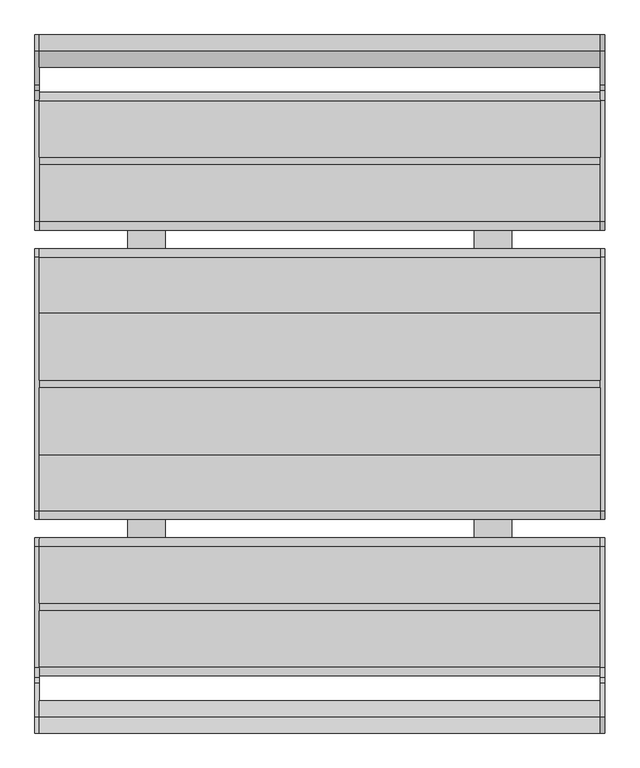
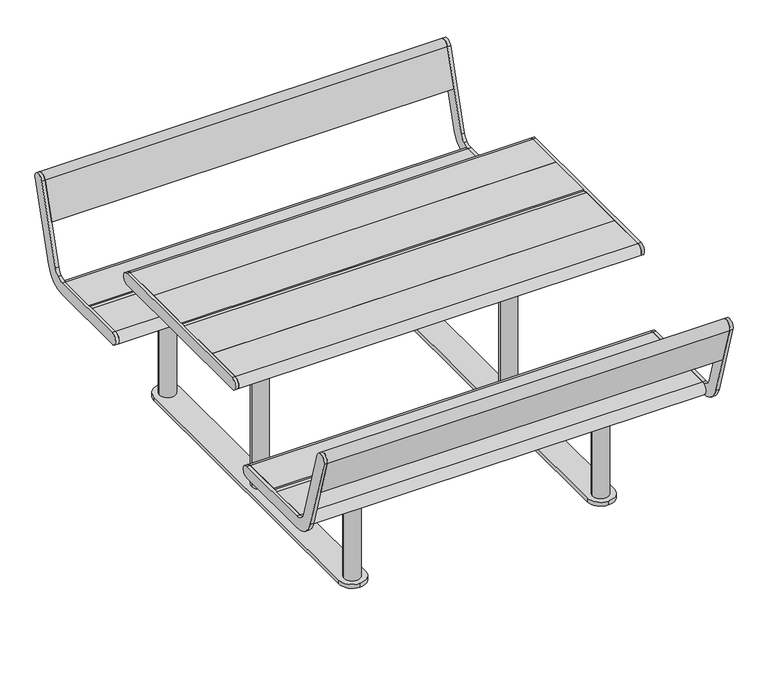
"""IFC4 building model written with IfcOpenShell, lengths in millimetres: furniture geometry."""

from ifc_helpers import new_model, si_unit, point, frame, frame_2d, origin, origin_with_axes, place, context, project, spatial, polyline, circle_curve, trimmed, segment, composite_curve, outline, extrude, source, transform, mapped, element, save


def furniture_d90f0675(model_context):
    return source(origin(), model_context, "Body", "SweptSolid", [
        extrude(outline(composite_curve([segment(polyline([(602.0, 449.7), (752.4998424, 449.7)]), True, "CONTINUOUS"), segment(trimmed(circle_curve(frame_2d((752.4998424, 427.2)), 22.5), [point((752.4998424, 449.7))], [point((752.4998424, 404.7))], False, "CARTESIAN"), True, "CONTINUOUS"), segment(polyline([(752.4998424, 404.7), (602.0, 404.7), (602.0, 449.7)]), True, "CONTINUOUS")], self_intersect=False)), frame((-745.0, 0.0, 0.0), z_axis=(1.0, 0.0, 0.0), x_axis=(0.0, 1.0, 0.0)), (0.0, 0.0, 1.0), 1490.0),
        extrude(outline(composite_curve([segment(polyline([(795.4837914, 481.5432734), (883.593709, 769.7378243)]), True, "CONTINUOUS"), segment(trimmed(circle_curve(frame_2d((905.1105656, 763.159461)), 22.4999996), [point((883.593709, 769.7378243))], [point((926.6274222, 756.5810977))], False, "CARTESIAN"), True, "CONTINUOUS"), segment(polyline([(926.6274222, 756.5810977), (838.5175055, 468.3865468)]), True, "CONTINUOUS"), segment(trimmed(circle_curve(frame_2d((752.4500772, 494.7000004)), 90.0000004), [point((838.5175055, 468.3865468))], [point((805.5692669, 422.0477344))], False, "CARTESIAN"), True, "CONTINUOUS"), segment(trimmed(circle_curve(frame_2d((752.4500772, 494.7000004)), 90.0000004), [point((805.5692669, 422.0477344))], [point((752.4500772, 404.7))], False, "CARTESIAN"), True, "CONTINUOUS"), segment(polyline([(752.4500772, 404.7), (431.5000002, 404.7)]), True, "CONTINUOUS"), segment(trimmed(circle_curve(frame_2d((431.5000002, 427.2000002)), 22.5000002), [point((431.5000002, 404.7))], [point((431.5037545, 449.7000001))], False, "CARTESIAN"), True, "CONTINUOUS"), segment(polyline([(431.5037545, 449.7000001), (752.4500772, 449.7000001)]), True, "CONTINUOUS"), segment(trimmed(circle_curve(frame_2d((752.4500772, 494.7000004)), 45.0000003), [point((752.4500772, 449.7000001))], [point((779.0096721, 458.3738673))], True, "CARTESIAN"), True, "CONTINUOUS"), segment(trimmed(circle_curve(frame_2d((752.4500772, 494.7000004)), 45.0000003), [point((779.0096721, 458.3738673))], [point((795.4837914, 481.5432734))], True, "CARTESIAN"), True, "CONTINUOUS")], self_intersect=False)), frame((745.0, 0.0, 0.0), z_axis=(1.0, 0.0, 0.0), x_axis=(0.0, 1.0, 0.0)), (0.0, 0.0, 1.0), 12.0),
        extrude(outline(composite_curve([segment(polyline([(884.0857959, 617.4337085), (841.052082, 630.5904353), (883.5974263, 769.7499847)]), True, "CONTINUOUS"), segment(trimmed(circle_curve(frame_2d((905.1142833, 763.1716212)), 22.5), [point((883.5974263, 769.7499847))], [point((926.6311403, 756.5932578))], False, "CARTESIAN"), True, "CONTINUOUS"), segment(polyline([(926.6311403, 756.5932578), (884.0857959, 617.4337085)]), True, "CONTINUOUS")], self_intersect=False)), frame((-745.0, 0.0, 0.0), z_axis=(1.0, 0.0, 0.0), x_axis=(0.0, 1.0, 0.0)), (0.0, 0.0, 1.0), 1490.0),
        extrude(outline(composite_curve([segment(polyline([(795.4837914, 481.5432734), (883.593709, 769.7378243)]), True, "CONTINUOUS"), segment(trimmed(circle_curve(frame_2d((905.1105656, 763.159461)), 22.4999996), [point((883.593709, 769.7378243))], [point((926.6274222, 756.5810977))], False, "CARTESIAN"), True, "CONTINUOUS"), segment(polyline([(926.6274222, 756.5810977), (838.5175055, 468.3865468)]), True, "CONTINUOUS"), segment(trimmed(circle_curve(frame_2d((752.4500772, 494.7000004)), 90.0000004), [point((838.5175055, 468.3865468))], [point((805.5692669, 422.0477344))], False, "CARTESIAN"), True, "CONTINUOUS"), segment(trimmed(circle_curve(frame_2d((752.4500772, 494.7000004)), 90.0000004), [point((805.5692669, 422.0477344))], [point((752.4500772, 404.7))], False, "CARTESIAN"), True, "CONTINUOUS"), segment(polyline([(752.4500772, 404.7), (431.5000002, 404.7)]), True, "CONTINUOUS"), segment(trimmed(circle_curve(frame_2d((431.5000002, 427.2000002)), 22.5000002), [point((431.5000002, 404.7))], [point((431.5037545, 449.7000001))], False, "CARTESIAN"), True, "CONTINUOUS"), segment(polyline([(431.5037545, 449.7000001), (752.4500772, 449.7000001)]), True, "CONTINUOUS"), segment(trimmed(circle_curve(frame_2d((752.4500772, 494.7000004)), 45.0000003), [point((752.4500772, 449.7000001))], [point((779.0096721, 458.3738673))], True, "CARTESIAN"), True, "CONTINUOUS"), segment(trimmed(circle_curve(frame_2d((752.4500772, 494.7000004)), 45.0000003), [point((779.0096721, 458.3738673))], [point((795.4837914, 481.5432734))], True, "CARTESIAN"), True, "CONTINUOUS")], self_intersect=False)), frame((-757.0, 0.0, 0.0), z_axis=(1.0, 0.0, 0.0), x_axis=(0.0, 1.0, 0.0)), (0.0, 0.0, 1.0), 12.0),
        extrude(outline(composite_curve([segment(trimmed(circle_curve(frame_2d((-752.4500772, 494.7000004)), 45.0000003), [point((-795.4837914, 481.5432734))], [point((-779.0096721, 458.3738673))], True, "CARTESIAN"), True, "CONTINUOUS"), segment(trimmed(circle_curve(frame_2d((-752.4500772, 494.7000004)), 45.0000003), [point((-779.0096721, 458.3738673))], [point((-752.4500772, 449.7000001))], True, "CARTESIAN"), True, "CONTINUOUS"), segment(polyline([(-752.4500772, 449.7000001), (-431.5037545, 449.7000001)]), True, "CONTINUOUS"), segment(trimmed(circle_curve(frame_2d((-431.5000002, 427.2000002)), 22.5000002), [point((-431.5037545, 449.7000001))], [point((-431.5000002, 404.7))], False, "CARTESIAN"), True, "CONTINUOUS"), segment(polyline([(-431.5000002, 404.7), (-752.4500772, 404.7)]), True, "CONTINUOUS"), segment(trimmed(circle_curve(frame_2d((-752.4500772, 494.7000004)), 90.0000004), [point((-752.4500772, 404.7))], [point((-805.5692669, 422.0477344))], False, "CARTESIAN"), True, "CONTINUOUS"), segment(trimmed(circle_curve(frame_2d((-752.4500772, 494.7000004)), 90.0000004), [point((-805.5692669, 422.0477344))], [point((-838.5175055, 468.3865468))], False, "CARTESIAN"), True, "CONTINUOUS"), segment(polyline([(-838.5175055, 468.3865468), (-926.6274222, 756.5810977)]), True, "CONTINUOUS"), segment(trimmed(circle_curve(frame_2d((-905.1105656, 763.159461)), 22.4999996), [point((-926.6274222, 756.5810977))], [point((-883.593709, 769.7378243))], False, "CARTESIAN"), True, "CONTINUOUS"), segment(polyline([(-883.593709, 769.7378243), (-795.4837914, 481.5432734)]), True, "CONTINUOUS")], self_intersect=False)), frame((745.0, 0.0, 0.0), z_axis=(1.0, 0.0, 0.0), x_axis=(0.0, 1.0, 0.0)), (0.0, 0.0, 1.0), 12.0),
        extrude(outline(composite_curve([segment(polyline([(-884.0857959, 617.4337085), (-926.6311403, 756.5932578)]), True, "CONTINUOUS"), segment(trimmed(circle_curve(frame_2d((-905.1142833, 763.1716212)), 22.5), [point((-926.6311403, 756.5932578))], [point((-883.5974263, 769.7499847))], False, "CARTESIAN"), True, "CONTINUOUS"), segment(polyline([(-883.5974263, 769.7499847), (-841.052082, 630.5904353), (-884.0857959, 617.4337085)]), True, "CONTINUOUS")], self_intersect=False)), frame((-745.0, 0.0, 0.0), z_axis=(1.0, 0.0, 0.0), x_axis=(0.0, 1.0, 0.0)), (0.0, 0.0, 1.0), 1490.0),
        extrude(outline(composite_curve([segment(polyline([(-582.0, 449.7), (-431.5001576, 449.7)]), True, "CONTINUOUS"), segment(trimmed(circle_curve(frame_2d((-431.5001576, 427.2)), 22.5), [point((-431.5001576, 449.7))], [point((-431.5001576, 404.7))], False, "CARTESIAN"), True, "CONTINUOUS"), segment(polyline([(-431.5001576, 404.7), (-582.0, 404.7), (-582.0, 449.7)]), True, "CONTINUOUS")], self_intersect=False)), frame((-745.0, 0.0, 0.0), z_axis=(1.0, 0.0, 0.0), x_axis=(0.0, 1.0, 0.0)), (0.0, 0.0, 1.0), 1490.0),
        extrude(outline(composite_curve([segment(polyline([(-602.0, 449.7), (-602.0, 404.7), (-752.4998424, 404.7)]), True, "CONTINUOUS"), segment(trimmed(circle_curve(frame_2d((-752.4998424, 427.2)), 22.5), [point((-752.4998424, 404.7))], [point((-752.4998424, 449.7))], False, "CARTESIAN"), True, "CONTINUOUS"), segment(polyline([(-752.4998424, 449.7), (-602.0, 449.7)]), True, "CONTINUOUS")], self_intersect=False)), frame((-745.0, 0.0, 0.0), z_axis=(1.0, 0.0, 0.0), x_axis=(0.0, 1.0, 0.0)), (0.0, 0.0, 1.0), 1490.0),
        extrude(outline(polyline([(745.0, -582.0), (745.0, -602.0), (-745.0, -602.0), (-745.0, -582.0), (745.0, -582.0)])), frame((0.0, 0.0, 404.7), z_axis=(0.0, 0.0, 1.0), x_axis=(1.0, 0.0, 0.0)), (0.0, 0.0, 1.0), 40.0),
        extrude(outline(composite_curve([segment(trimmed(circle_curve(frame_2d((-752.4500772, 494.7000004)), 45.0000003), [point((-795.4837914, 481.5432734))], [point((-779.0096721, 458.3738673))], True, "CARTESIAN"), True, "CONTINUOUS"), segment(trimmed(circle_curve(frame_2d((-752.4500772, 494.7000004)), 45.0000003), [point((-779.0096721, 458.3738673))], [point((-752.4500772, 449.7000001))], True, "CARTESIAN"), True, "CONTINUOUS"), segment(polyline([(-752.4500772, 449.7000001), (-431.5037545, 449.7000001)]), True, "CONTINUOUS"), segment(trimmed(circle_curve(frame_2d((-431.5000002, 427.2000002)), 22.5000002), [point((-431.5037545, 449.7000001))], [point((-431.5000002, 404.7))], False, "CARTESIAN"), True, "CONTINUOUS"), segment(polyline([(-431.5000002, 404.7), (-752.4500772, 404.7)]), True, "CONTINUOUS"), segment(trimmed(circle_curve(frame_2d((-752.4500772, 494.7000004)), 90.0000004), [point((-752.4500772, 404.7))], [point((-805.5692669, 422.0477344))], False, "CARTESIAN"), True, "CONTINUOUS"), segment(trimmed(circle_curve(frame_2d((-752.4500772, 494.7000004)), 90.0000004), [point((-805.5692669, 422.0477344))], [point((-838.5175055, 468.3865468))], False, "CARTESIAN"), True, "CONTINUOUS"), segment(polyline([(-838.5175055, 468.3865468), (-926.6274222, 756.5810977)]), True, "CONTINUOUS"), segment(trimmed(circle_curve(frame_2d((-905.1105656, 763.159461)), 22.4999996), [point((-926.6274222, 756.5810977))], [point((-883.593709, 769.7378243))], False, "CARTESIAN"), True, "CONTINUOUS"), segment(polyline([(-883.593709, 769.7378243), (-795.4837914, 481.5432734)]), True, "CONTINUOUS")], self_intersect=False)), frame((-757.0, 0.0, 0.0), z_axis=(1.0, 0.0, 0.0), x_axis=(0.0, 1.0, 0.0)), (0.0, 0.0, 1.0), 12.0),
        extrude(outline(composite_curve([segment(polyline([(582.0, 449.7), (582.0, 404.7), (431.5001576, 404.7)]), True, "CONTINUOUS"), segment(trimmed(circle_curve(frame_2d((431.5001576, 427.2)), 22.5), [point((431.5001576, 404.7))], [point((431.5001576, 449.7))], False, "CARTESIAN"), True, "CONTINUOUS"), segment(polyline([(431.5001576, 449.7), (582.0, 449.7)]), True, "CONTINUOUS")], self_intersect=False)), frame((-745.0, 0.0, 0.0), z_axis=(1.0, 0.0, 0.0), x_axis=(0.0, 1.0, 0.0)), (0.0, 0.0, 1.0), 1490.0),
        extrude(outline(polyline([(745.0, 602.0), (745.0, 582.0), (-745.0, 582.0), (-745.0, 602.0), (745.0, 602.0)])), frame((0.0, 0.0, 404.7), z_axis=(0.0, 0.0, 1.0), x_axis=(1.0, 0.0, 0.0)), (0.0, 0.0, 1.0), 40.0),
        extrude(outline(polyline([(745.0, -10.0), (745.0, -187.75), (-745.0, -187.75), (-745.0, -10.0), (745.0, -10.0)])), frame((0.0, 0.0, 694.7), z_axis=(0.0, 0.0, 1.0), x_axis=(1.0, 0.0, 0.0)), (0.0, 0.0, 1.0), 45.0),
        extrude(outline(polyline([(745.0, 187.75), (745.0, 10.0), (-745.0, 10.0), (-745.0, 187.75), (745.0, 187.75)])), frame((0.0, 0.0, 694.7), z_axis=(0.0, 0.0, 1.0), x_axis=(1.0, 0.0, 0.0)), (0.0, 0.0, 1.0), 45.0),
        extrude(outline(composite_curve([segment(polyline([(187.75, 739.7), (336.4998635, 739.7)]), True, "CONTINUOUS"), segment(trimmed(circle_curve(frame_2d((336.4998635, 717.2)), 22.5), [point((336.4998635, 739.7))], [point((336.4998635, 694.7))], False, "CARTESIAN"), True, "CONTINUOUS"), segment(polyline([(336.4998635, 694.7), (187.75, 694.7), (187.75, 739.7)]), True, "CONTINUOUS")], self_intersect=False)), frame((-745.0, 0.0, 0.0), z_axis=(1.0, 0.0, 0.0), x_axis=(0.0, 1.0, 0.0)), (0.0, 0.0, 1.0), 1490.0),
        extrude(outline(composite_curve([segment(polyline([(-187.75, 739.7), (-187.75, 694.7), (-336.4998635, 694.7)]), True, "CONTINUOUS"), segment(trimmed(circle_curve(frame_2d((-336.4998635, 717.2)), 22.5), [point((-336.4998635, 694.7))], [point((-336.4998635, 739.7))], False, "CARTESIAN"), True, "CONTINUOUS"), segment(polyline([(-336.4998635, 739.7), (-187.75, 739.7)]), True, "CONTINUOUS")], self_intersect=False)), frame((-745.0, 0.0, 0.0), z_axis=(1.0, 0.0, 0.0), x_axis=(0.0, 1.0, 0.0)), (0.0, 0.0, 1.0), 1490.0),
        extrude(outline(polyline([(745.0, 10.0), (745.0, -10.0), (-745.0, -10.0), (-745.0, 10.0), (745.0, 10.0)])), frame((0.0, 0.0, 694.7), z_axis=(0.0, 0.0, 1.0), x_axis=(1.0, 0.0, 0.0)), (0.0, 0.0, 1.0), 40.0),
        extrude(outline(composite_curve([segment(trimmed(circle_curve(frame_2d((336.5, 717.2)), 22.5), [point((336.5, 739.7))], [point((336.5, 694.7))], False, "CARTESIAN"), True, "CONTINUOUS"), segment(polyline([(336.5, 694.7), (-336.5, 694.7)]), True, "CONTINUOUS"), segment(trimmed(circle_curve(frame_2d((-336.5, 717.2)), 22.5), [point((-336.5, 694.7))], [point((-336.5, 739.7))], False, "CARTESIAN"), True, "CONTINUOUS"), segment(polyline([(-336.5, 739.7), (336.5, 739.7)]), True, "CONTINUOUS")], self_intersect=False)), frame((745.0, 0.0, 0.0), z_axis=(1.0, 0.0, 0.0), x_axis=(0.0, 1.0, 0.0)), (0.0, 0.0, 1.0), 12.0),
        extrude(outline(composite_curve([segment(trimmed(circle_curve(frame_2d((336.5, 717.2)), 22.5), [point((336.5, 739.7))], [point((336.5, 694.7))], False, "CARTESIAN"), True, "CONTINUOUS"), segment(polyline([(336.5, 694.7), (-336.5, 694.7)]), True, "CONTINUOUS"), segment(trimmed(circle_curve(frame_2d((-336.5, 717.2)), 22.5), [point((-336.5, 694.7))], [point((-336.5, 739.7))], False, "CARTESIAN"), True, "CONTINUOUS"), segment(polyline([(-336.5, 739.7), (336.5, 739.7)]), True, "CONTINUOUS")], self_intersect=False)), frame((-757.0, 0.0, 0.0), z_axis=(1.0, 0.0, 0.0), x_axis=(0.0, 1.0, 0.0)), (0.0, 0.0, 1.0), 12.0),
        extrude(outline(composite_curve([segment(trimmed(circle_curve(frame_2d((505.0, 120.0)), 5.0), [point((505.0, 125.0))], [point((510.0, 120.0))], False, "CARTESIAN"), True, "CONTINUOUS"), segment(polyline([(510.0, 120.0), (510.0, -120.0)]), True, "CONTINUOUS"), segment(trimmed(circle_curve(frame_2d((505.0, -120.0)), 5.0), [point((510.0, -120.0))], [point((505.0, -125.0))], False, "CARTESIAN"), True, "CONTINUOUS"), segment(polyline([(505.0, -125.0), (415.0, -125.0)]), True, "CONTINUOUS"), segment(trimmed(circle_curve(frame_2d((415.0, -120.0)), 5.0), [point((415.0, -125.0))], [point((410.0, -120.0))], False, "CARTESIAN"), True, "CONTINUOUS"), segment(polyline([(410.0, -120.0), (410.0, 120.0)]), True, "CONTINUOUS"), segment(trimmed(circle_curve(frame_2d((415.0, 120.0)), 5.0), [point((410.0, 120.0))], [point((415.0, 125.0))], False, "CARTESIAN"), True, "CONTINUOUS"), segment(polyline([(415.0, 125.0), (505.0, 125.0)]), True, "CONTINUOUS")], self_intersect=False)), frame((0.0, 0.0, 679.0), z_axis=(0.0, 0.0, 1.0), x_axis=(1.0, 0.0, 0.0)), (0.0, 0.0, 1.0), 7.85),
        extrude(outline(composite_curve([segment(trimmed(circle_curve(frame_2d((505.0, 295.0)), 5.0), [point((505.0, 300.0))], [point((510.0, 295.0))], False, "CARTESIAN"), True, "CONTINUOUS"), segment(polyline([(510.0, 295.0), (510.0, -295.0)]), True, "CONTINUOUS"), segment(trimmed(circle_curve(frame_2d((505.0, -295.0)), 5.0), [point((510.0, -295.0))], [point((505.0, -300.0))], False, "CARTESIAN"), True, "CONTINUOUS"), segment(polyline([(505.0, -300.0), (415.0, -300.0)]), True, "CONTINUOUS"), segment(trimmed(circle_curve(frame_2d((415.0, -295.0)), 5.0), [point((415.0, -300.0))], [point((410.0, -295.0))], False, "CARTESIAN"), True, "CONTINUOUS"), segment(polyline([(410.0, -295.0), (410.0, 295.0)]), True, "CONTINUOUS"), segment(trimmed(circle_curve(frame_2d((415.0, 295.0)), 5.0), [point((410.0, 295.0))], [point((415.0, 300.0))], False, "CARTESIAN"), True, "CONTINUOUS"), segment(polyline([(415.0, 300.0), (505.0, 300.0)]), True, "CONTINUOUS")], self_intersect=False)), frame((0.0, 0.0, 686.85), z_axis=(0.0, 0.0, 1.0), x_axis=(1.0, 0.0, 0.0)), (0.0, 0.0, 1.0), 7.85),
        extrude(outline(composite_curve([segment(polyline([(-505.0, 125.0), (-415.0, 125.0)]), True, "CONTINUOUS"), segment(trimmed(circle_curve(frame_2d((-415.0, 120.0)), 5.0), [point((-415.0, 125.0))], [point((-410.0, 120.0))], False, "CARTESIAN"), True, "CONTINUOUS"), segment(polyline([(-410.0, 120.0), (-410.0, -120.0)]), True, "CONTINUOUS"), segment(trimmed(circle_curve(frame_2d((-415.0, -120.0)), 5.0), [point((-410.0, -120.0))], [point((-415.0, -125.0))], False, "CARTESIAN"), True, "CONTINUOUS"), segment(polyline([(-415.0, -125.0), (-505.0, -125.0)]), True, "CONTINUOUS"), segment(trimmed(circle_curve(frame_2d((-505.0, -120.0)), 5.0), [point((-505.0, -125.0))], [point((-510.0, -120.0))], False, "CARTESIAN"), True, "CONTINUOUS"), segment(polyline([(-510.0, -120.0), (-510.0, 120.0)]), True, "CONTINUOUS"), segment(trimmed(circle_curve(frame_2d((-505.0, 120.0)), 5.0), [point((-510.0, 120.0))], [point((-505.0, 125.0))], False, "CARTESIAN"), True, "CONTINUOUS")], self_intersect=False)), frame((0.0, 0.0, 679.0), z_axis=(0.0, 0.0, 1.0), x_axis=(1.0, 0.0, 0.0)), (0.0, 0.0, 1.0), 7.85),
        extrude(outline(composite_curve([segment(polyline([(-505.0, 300.0), (-415.0, 300.0)]), True, "CONTINUOUS"), segment(trimmed(circle_curve(frame_2d((-415.0, 295.0)), 5.0), [point((-415.0, 300.0))], [point((-410.0, 295.0))], False, "CARTESIAN"), True, "CONTINUOUS"), segment(polyline([(-410.0, 295.0), (-410.0, -295.0)]), True, "CONTINUOUS"), segment(trimmed(circle_curve(frame_2d((-415.0, -295.0)), 5.0), [point((-410.0, -295.0))], [point((-415.0, -300.0))], False, "CARTESIAN"), True, "CONTINUOUS"), segment(polyline([(-415.0, -300.0), (-505.0, -300.0)]), True, "CONTINUOUS"), segment(trimmed(circle_curve(frame_2d((-505.0, -295.0)), 5.0), [point((-505.0, -300.0))], [point((-510.0, -295.0))], False, "CARTESIAN"), True, "CONTINUOUS"), segment(polyline([(-510.0, -295.0), (-510.0, 295.0)]), True, "CONTINUOUS"), segment(trimmed(circle_curve(frame_2d((-505.0, 295.0)), 5.0), [point((-510.0, 295.0))], [point((-505.0, 300.0))], False, "CARTESIAN"), True, "CONTINUOUS")], self_intersect=False)), frame((0.0, 0.0, 686.85), z_axis=(0.0, 0.0, 1.0), x_axis=(1.0, 0.0, 0.0)), (0.0, 0.0, 1.0), 7.85),
        extrude(outline(composite_curve([segment(polyline([(505.0, -717.0), (415.0, -717.0)]), True, "CONTINUOUS"), segment(trimmed(circle_curve(frame_2d((415.0, -712.0)), 5.0), [point((415.0, -717.0))], [point((410.0, -712.0))], False, "CARTESIAN"), True, "CONTINUOUS"), segment(polyline([(410.0, -712.0), (410.0, -472.0)]), True, "CONTINUOUS"), segment(trimmed(circle_curve(frame_2d((415.0, -472.0)), 5.0), [point((410.0, -472.0))], [point((415.0, -467.0))], False, "CARTESIAN"), True, "CONTINUOUS"), segment(polyline([(415.0, -467.0), (505.0, -467.0)]), True, "CONTINUOUS"), segment(trimmed(circle_curve(frame_2d((505.0, -472.0)), 5.0), [point((505.0, -467.0))], [point((510.0, -472.0))], False, "CARTESIAN"), True, "CONTINUOUS"), segment(polyline([(510.0, -472.0), (510.0, -712.0)]), True, "CONTINUOUS"), segment(trimmed(circle_curve(frame_2d((505.0, -712.0)), 5.0), [point((510.0, -712.0))], [point((505.0, -717.0))], False, "CARTESIAN"), True, "CONTINUOUS")], self_intersect=False)), frame((0.0, 0.0, 389.0), z_axis=(0.0, 0.0, 1.0), x_axis=(1.0, 0.0, 0.0)), (0.0, 0.0, 1.0), 15.7),
        extrude(outline(composite_curve([segment(trimmed(circle_curve(frame_2d((505.0, 712.0)), 5.0), [point((505.0, 717.0))], [point((510.0, 712.0))], False, "CARTESIAN"), True, "CONTINUOUS"), segment(polyline([(510.0, 712.0), (510.0, 472.0)]), True, "CONTINUOUS"), segment(trimmed(circle_curve(frame_2d((505.0, 472.0)), 5.0), [point((510.0, 472.0))], [point((505.0, 467.0))], False, "CARTESIAN"), True, "CONTINUOUS"), segment(polyline([(505.0, 467.0), (415.0, 467.0)]), True, "CONTINUOUS"), segment(trimmed(circle_curve(frame_2d((415.0, 472.0)), 5.0), [point((415.0, 467.0))], [point((410.0, 472.0))], False, "CARTESIAN"), True, "CONTINUOUS"), segment(polyline([(410.0, 472.0), (410.0, 712.0)]), True, "CONTINUOUS"), segment(trimmed(circle_curve(frame_2d((415.0, 712.0)), 5.0), [point((410.0, 712.0))], [point((415.0, 717.0))], False, "CARTESIAN"), True, "CONTINUOUS"), segment(polyline([(415.0, 717.0), (505.0, 717.0)]), True, "CONTINUOUS")], self_intersect=False)), frame((0.0, 0.0, 389.0), z_axis=(0.0, 0.0, 1.0), x_axis=(1.0, 0.0, 0.0)), (0.0, 0.0, 1.0), 15.7),
        extrude(outline(composite_curve([segment(trimmed(circle_curve(frame_2d((-505.0, -712.0)), 5.0), [point((-505.0, -717.0))], [point((-510.0, -712.0))], False, "CARTESIAN"), True, "CONTINUOUS"), segment(polyline([(-510.0, -712.0), (-510.0, -472.0)]), True, "CONTINUOUS"), segment(trimmed(circle_curve(frame_2d((-505.0, -472.0)), 5.0), [point((-510.0, -472.0))], [point((-505.0, -467.0))], False, "CARTESIAN"), True, "CONTINUOUS"), segment(polyline([(-505.0, -467.0), (-415.0, -467.0)]), True, "CONTINUOUS"), segment(trimmed(circle_curve(frame_2d((-415.0, -472.0)), 5.0), [point((-415.0, -467.0))], [point((-410.0, -472.0))], False, "CARTESIAN"), True, "CONTINUOUS"), segment(polyline([(-410.0, -472.0), (-410.0, -712.0)]), True, "CONTINUOUS"), segment(trimmed(circle_curve(frame_2d((-415.0, -712.0)), 5.0), [point((-410.0, -712.0))], [point((-415.0, -717.0))], False, "CARTESIAN"), True, "CONTINUOUS"), segment(polyline([(-415.0, -717.0), (-505.0, -717.0)]), True, "CONTINUOUS")], self_intersect=False)), frame((0.0, 0.0, 389.0), z_axis=(0.0, 0.0, 1.0), x_axis=(1.0, 0.0, 0.0)), (0.0, 0.0, 1.0), 15.7),
        extrude(outline(composite_curve([segment(polyline([(-505.0, 717.0), (-415.0, 717.0)]), True, "CONTINUOUS"), segment(trimmed(circle_curve(frame_2d((-415.0, 712.0)), 5.0), [point((-415.0, 717.0))], [point((-410.0, 712.0))], False, "CARTESIAN"), True, "CONTINUOUS"), segment(polyline([(-410.0, 712.0), (-410.0, 472.0)]), True, "CONTINUOUS"), segment(trimmed(circle_curve(frame_2d((-415.0, 472.0)), 5.0), [point((-410.0, 472.0))], [point((-415.0, 467.0))], False, "CARTESIAN"), True, "CONTINUOUS"), segment(polyline([(-415.0, 467.0), (-505.0, 467.0)]), True, "CONTINUOUS"), segment(trimmed(circle_curve(frame_2d((-505.0, 472.0)), 5.0), [point((-505.0, 467.0))], [point((-510.0, 472.0))], False, "CARTESIAN"), True, "CONTINUOUS"), segment(polyline([(-510.0, 472.0), (-510.0, 712.0)]), True, "CONTINUOUS"), segment(trimmed(circle_curve(frame_2d((-505.0, 712.0)), 5.0), [point((-510.0, 712.0))], [point((-505.0, 717.0))], False, "CARTESIAN"), True, "CONTINUOUS")], self_intersect=False)), frame((0.0, 0.0, 389.0), z_axis=(0.0, 0.0, 1.0), x_axis=(1.0, 0.0, 0.0)), (0.0, 0.0, 1.0), 15.7),
        extrude(outline(composite_curve([segment(trimmed(circle_curve(frame_2d((460.0, 0.0)), 30.0), [point((490.0, 0.0))], [point((430.0, 0.0))], False, "CARTESIAN"), True, "CONTINUOUS"), segment(trimmed(circle_curve(frame_2d((460.0, 0.0)), 30.0), [point((430.0, 0.0))], [point((490.0, 0.0))], False, "CARTESIAN"), True, "CONTINUOUS")], self_intersect=False)), frame((0.0, 0.0, 15.0), z_axis=(0.0, 0.0, 1.0), x_axis=(1.0, 0.0, 0.0)), (0.0, 0.0, 1.0), 664.0),
        extrude(outline(composite_curve([segment(trimmed(circle_curve(frame_2d((-460.0, 0.0)), 30.0), [point((-490.0, 0.0))], [point((-430.0, 0.0))], False, "CARTESIAN"), True, "CONTINUOUS"), segment(trimmed(circle_curve(frame_2d((-460.0, 0.0)), 30.0), [point((-430.0, 0.0))], [point((-490.0, 0.0))], False, "CARTESIAN"), True, "CONTINUOUS")], self_intersect=False)), frame((0.0, 0.0, 15.0), z_axis=(0.0, 0.0, 1.0), x_axis=(1.0, 0.0, 0.0)), (0.0, 0.0, 1.0), 664.0),
        extrude(outline(composite_curve([segment(trimmed(circle_curve(frame_2d((460.0, -592.0)), 30.0), [point((490.0, -592.0))], [point((430.0, -592.0))], False, "CARTESIAN"), True, "CONTINUOUS"), segment(trimmed(circle_curve(frame_2d((460.0, -592.0)), 30.0), [point((430.0, -592.0))], [point((490.0, -592.0))], False, "CARTESIAN"), True, "CONTINUOUS")], self_intersect=False)), frame((0.0, 0.0, 15.0), z_axis=(0.0, 0.0, 1.0), x_axis=(1.0, 0.0, 0.0)), (0.0, 0.0, 1.0), 374.0),
        extrude(outline(composite_curve([segment(trimmed(circle_curve(frame_2d((460.0, 592.0)), 30.0), [point((490.0, 592.0))], [point((430.0, 592.0))], False, "CARTESIAN"), True, "CONTINUOUS"), segment(trimmed(circle_curve(frame_2d((460.0, 592.0)), 30.0), [point((430.0, 592.0))], [point((490.0, 592.0))], False, "CARTESIAN"), True, "CONTINUOUS")], self_intersect=False)), frame((0.0, 0.0, 15.0), z_axis=(0.0, 0.0, 1.0), x_axis=(1.0, 0.0, 0.0)), (0.0, 0.0, 1.0), 374.0),
        extrude(outline(composite_curve([segment(trimmed(circle_curve(frame_2d((-460.0, -592.0)), 30.0), [point((-490.0, -592.0))], [point((-430.0, -592.0))], False, "CARTESIAN"), True, "CONTINUOUS"), segment(trimmed(circle_curve(frame_2d((-460.0, -592.0)), 30.0), [point((-430.0, -592.0))], [point((-490.0, -592.0))], False, "CARTESIAN"), True, "CONTINUOUS")], self_intersect=False)), frame((0.0, 0.0, 15.0), z_axis=(0.0, 0.0, 1.0), x_axis=(1.0, 0.0, 0.0)), (0.0, 0.0, 1.0), 374.0),
        extrude(outline(composite_curve([segment(trimmed(circle_curve(frame_2d((-460.0, 592.0)), 30.0), [point((-490.0, 592.0))], [point((-430.0, 592.0))], False, "CARTESIAN"), True, "CONTINUOUS"), segment(trimmed(circle_curve(frame_2d((-460.0, 592.0)), 30.0), [point((-430.0, 592.0))], [point((-490.0, 592.0))], False, "CARTESIAN"), True, "CONTINUOUS")], self_intersect=False)), frame((0.0, 0.0, 15.0), z_axis=(0.0, 0.0, 1.0), x_axis=(1.0, 0.0, 0.0)), (0.0, 0.0, 1.0), 374.0),
        extrude(outline(composite_curve([segment(polyline([(-510.0, -592.0), (-510.0, 592.0)]), True, "CONTINUOUS"), segment(trimmed(circle_curve(frame_2d((-460.0, 592.0)), 50.0), [point((-510.0, 592.0))], [point((-410.0, 592.0))], False, "CARTESIAN"), True, "CONTINUOUS"), segment(polyline([(-410.0, 592.0), (-410.0, -592.0)]), True, "CONTINUOUS"), segment(trimmed(circle_curve(frame_2d((-460.0, -592.0)), 50.0), [point((-410.0, -592.0))], [point((-460.0, -642.0))], False, "CARTESIAN"), True, "CONTINUOUS"), segment(trimmed(circle_curve(frame_2d((-460.0, -592.0)), 50.0), [point((-460.0, -642.0))], [point((-510.0, -592.0))], False, "CARTESIAN"), True, "CONTINUOUS")], self_intersect=False)), origin_with_axes(), (0.0, 0.0, 1.0), 15.0),
        extrude(outline(composite_curve([segment(trimmed(circle_curve(frame_2d((460.0, -592.0)), 50.0), [point((510.0, -592.0))], [point((460.0, -642.0))], False, "CARTESIAN"), True, "CONTINUOUS"), segment(trimmed(circle_curve(frame_2d((460.0, -592.0)), 50.0), [point((460.0, -642.0))], [point((410.0, -592.0))], False, "CARTESIAN"), True, "CONTINUOUS"), segment(polyline([(410.0, -592.0), (410.0, 592.0)]), True, "CONTINUOUS"), segment(trimmed(circle_curve(frame_2d((460.0, 592.0)), 50.0), [point((410.0, 592.0))], [point((510.0, 592.0))], False, "CARTESIAN"), True, "CONTINUOUS"), segment(polyline([(510.0, 592.0), (510.0, -592.0)]), True, "CONTINUOUS")], self_intersect=False)), origin_with_axes(), (0.0, 0.0, 1.0), 15.0),
    ])


if __name__ == "__main__":
    model = new_model("IFC4")
    model_context = context("Model", 3, world=origin())
    ifc_project = project(units=[si_unit("LENGTHUNIT", "METRE", prefix="MILLI")], contexts=[model_context])
    site = spatial("IfcSite", under=ifc_project)
    building = spatial("IfcBuilding", under=site)
    placement = place(None, origin())
    furniture_shape = furniture_d90f0675(model_context)
    element("IfcFurniture", 1, at=placement, inside=building, context=model_context, shape_type="MappedRepresentation", body=[
        mapped(furniture_shape, transform((0.0, 0.0, 0.0), x_axis=(1.0, 0.0, 0.0), y_axis=(0.0, 1.0, 0.0), z_axis=(0.0, 0.0, 1.0))),
    ])
    save(model, "model.ifc")
